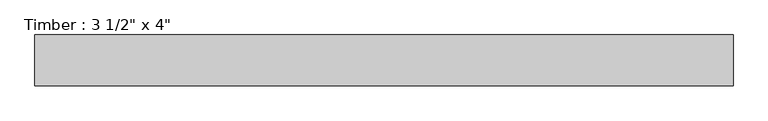
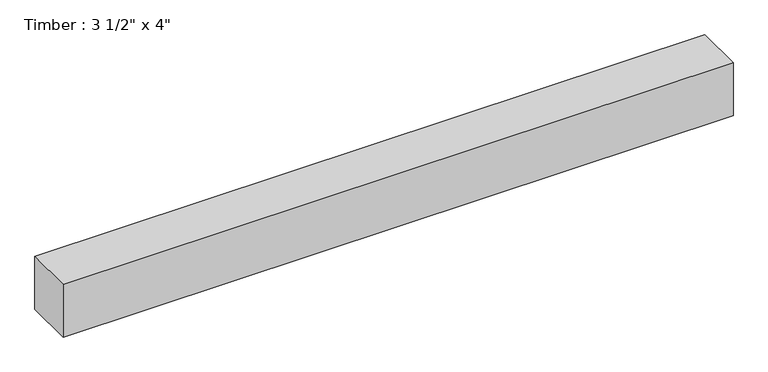
"""IFC4 building model written with IfcOpenShell, lengths in millimetres: beam geometry."""

from ifc_helpers import new_model, si_unit, frame, origin, place, context, project, spatial, polyline, outline, extrude, source, transform, mapped, element, save


def beam_38555eb1(model_context):
    return source(origin(), model_context, "Body", "SweptSolid", [
        extrude(outline(polyline([(610.1355943, -44.45), (-610.1355943, -44.45), (-610.1355943, 44.45), (610.1355943, 44.45), (610.1355943, -44.45)])), frame((0.0, 0.0, -50.8), z_axis=(0.0, 0.0, 1.0), x_axis=(1.0, 0.0, 0.0)), (0.0, 0.0, 1.0), 101.6),
    ])


if __name__ == "__main__":
    model = new_model("IFC4")
    model_context = context("Model", 3, world=origin())
    ifc_project = project(units=[si_unit("LENGTHUNIT", "METRE", prefix="MILLI")], contexts=[model_context])
    site = spatial("IfcSite", under=ifc_project)
    building = spatial("IfcBuilding", under=site)
    placement = place(None, origin())
    beam_shape = beam_38555eb1(model_context)
    element("IfcBeam", 1, ObjectType="Timber : 3 1/2\" x 4\"", at=placement, inside=building, context=model_context, shape_type="MappedRepresentation", body=[
        mapped(beam_shape, transform((0.0, 0.0, 0.0), x_axis=(1.0, 0.0, 0.0), y_axis=(0.0, 1.0, 0.0), z_axis=(0.0, 0.0, 1.0))),
    ])
    save(model, "model.ifc")
